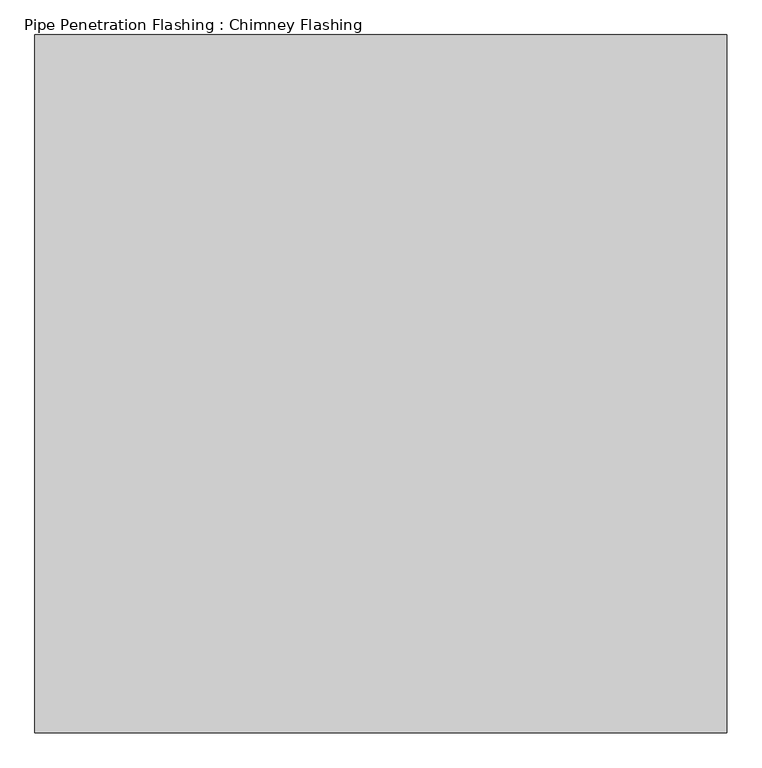
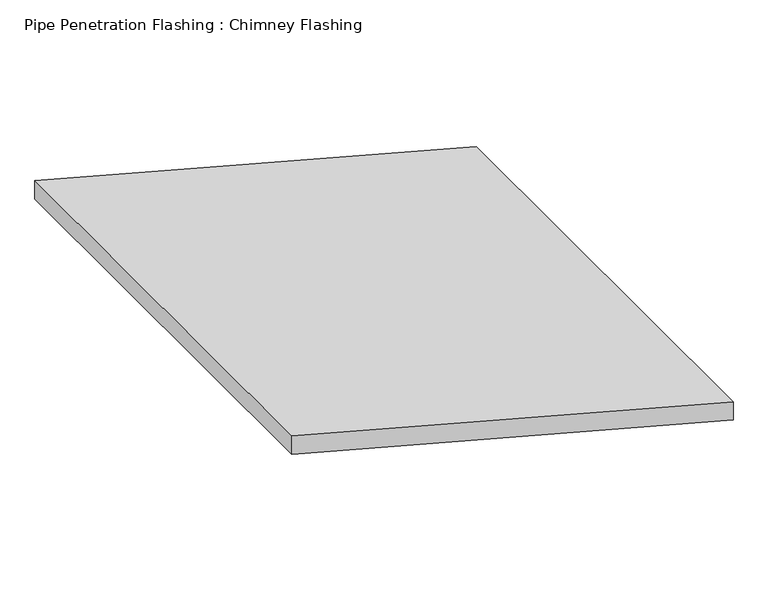
"""IFC4 building model written with IfcOpenShell, lengths in millimetres: proxy geometry, Pipe Penetration Flashing : Chimney Flashing."""

from ifc_helpers import new_model, si_unit, frame, origin, place, context, project, spatial, polyline, outline, extrude, source, transform, mapped, element, save


def pipe_penetration_flashing_chimney_flashing_2833bfa5(model_context):
    return source(origin(), model_context, "Body", "SweptSolid", [
        extrude(outline(polyline([(5918.6213183, 4682.178133), (5965.2087464, 4682.178133), (6247.9654108, 3626.9158954), (6201.3779827, 3626.9158954), (5918.6213183, 4682.178133)])), frame((0.0, 3359.9919834, 0.0), z_axis=(0.0, 1.0, 0.0), x_axis=(0.0, 0.0, 1.0)), (0.0, 0.0, 1.0), 1065.0),
    ])


if __name__ == "__main__":
    model = new_model("IFC4")
    model_context = context("Model", 3, world=origin())
    ifc_project = project(units=[si_unit("LENGTHUNIT", "METRE", prefix="MILLI")], contexts=[model_context])
    site = spatial("IfcSite", under=ifc_project)
    building = spatial("IfcBuilding", under=site)
    placement = place(None, origin())
    pipe_penetration_flashing_chimney_flashing_shape = pipe_penetration_flashing_chimney_flashing_2833bfa5(model_context)
    element("IfcBuildingElementProxy", 1, Name="Pipe Penetration Flashing : Chimney Flashing", ObjectType="Pipe Penetration Flashing : Chimney Flashing", at=placement, inside=building, context=model_context, shape_type="MappedRepresentation", body=[
        mapped(pipe_penetration_flashing_chimney_flashing_shape, transform((0.0, 0.0, 0.0), x_axis=(1.0, 0.0, 0.0), y_axis=(0.0, 1.0, 0.0), z_axis=(0.0, 0.0, 1.0))),
    ])
    save(model, "model.ifc")
